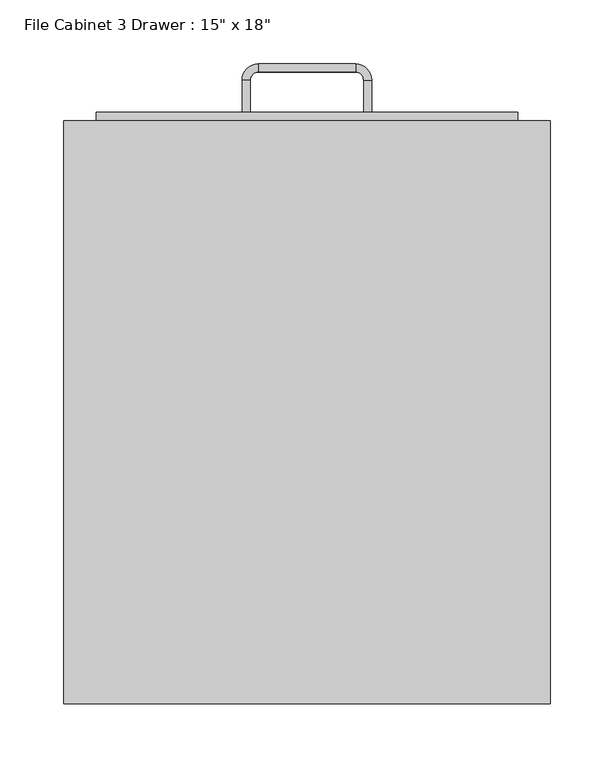
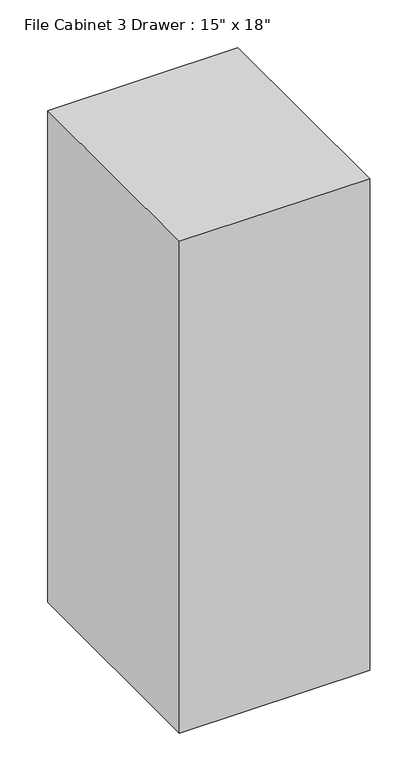
"""IFC4 building model written with IfcOpenShell, lengths in millimetres: furniture geometry."""

from ifc_helpers import new_model, si_unit, frame, origin, origin_with_axes, place, context, project, spatial, polyline, circle_curve, outline, extrude, source, transform, mapped, element, save
from ifc_brep_helpers import plane_surface, cylinder_surface, revolved_surface, advanced_brep


def furniture_48aa8ab9(model_context):
    return source(origin(), model_context, "Body", "SolidModel", [
        extrude(outline(polyline([(62.603553, -86.4656999), (-318.396447, -86.4656999), (-318.396447, 370.7343001), (62.603553, 370.7343001), (62.603553, -86.4656999)])), origin_with_axes(), (0.0, 0.0, 1.0), 1041.4),
        extrude(outline(polyline([(37.203553, 377.0843001), (37.203553, 370.7343001), (-292.996447, 370.7343001), (-292.996447, 377.0843001), (37.203553, 377.0843001)])), frame((0.0, 0.0, 736.6), z_axis=(0.0, 0.0, 1.0), x_axis=(1.0, 0.0, 0.0)), (0.0, 0.0, 1.0), 279.4),
        extrude(outline(polyline([(37.203553, 377.0843001), (37.203553, 370.7343001), (-292.996447, 370.7343001), (-292.996447, 377.0843001), (37.203553, 377.0843001)])), frame((0.0, 0.0, 431.8), z_axis=(0.0, 0.0, 1.0), x_axis=(1.0, 0.0, 0.0)), (0.0, 0.0, 1.0), 279.4),
        extrude(outline(polyline([(37.203553, 377.0843001), (37.203553, 370.7343001), (-292.996447, 370.7343001), (-292.996447, 377.0843001), (37.203553, 377.0843001)])), frame((0.0, 0.0, 127.0), z_axis=(0.0, 0.0, 1.0), x_axis=(1.0, 0.0, 0.0)), (0.0, 0.0, 1.0), 279.4),
        advanced_brep(
        [(-172.346447, 377.0843001, 203.2), (-172.346447, 377.0843001, 215.9), (-178.696447, 377.0843001, 215.9), (-178.696447, 377.0843001, 203.2), (-178.696447, 402.4843001, 203.2), (-172.346447, 402.4843001, 203.2), (-178.696447, 402.4843001, 215.9), (-172.346447, 402.4843001, 215.9), (-165.996447, 415.1843001, 203.2), (-165.996447, 408.8343001, 203.2), (-165.996447, 415.1843001, 215.9), (-165.996447, 408.8343001, 215.9), (-89.796447, 415.1843001, 203.2), (-89.796447, 408.8343001, 203.2), (-89.796447, 415.1843001, 215.9), (-89.796447, 408.8343001, 215.9), (-77.096447, 402.4843001, 203.2), (-83.446447, 402.4843001, 203.2), (-77.096447, 402.4843001, 215.9), (-83.446447, 402.4843001, 215.9), (-83.446447, 377.0843001, 203.2), (-77.096447, 377.0843001, 203.2), (-77.096447, 377.0843001, 215.9), (-83.446447, 377.0843001, 215.9)],
        [
            (0, 1),
            (1, 2),
            (2, 3),
            (3, 0),
            (3, 4),
            (4, 5),
            (5, 0),
            (2, 6),
            (6, 4),
            (1, 7),
            (7, 6),
            (5, 7),
            (8, 9),
            (9, 5, circle_curve(frame((-165.996447, 402.4843001, 203.2), z_axis=(0.0, 0.0, 1.0), x_axis=(-1.0, 0.0, 0.0)), 6.35)),
            (4, 8, circle_curve(frame((-165.996447, 402.4843001, 203.2), z_axis=(0.0, 0.0, -1.0), x_axis=(-1.0, 0.0, 0.0)), 12.7)),
            (10, 8),
            (6, 10, circle_curve(frame((-165.996447, 402.4843001, 215.9), z_axis=(0.0, 0.0, -1.0), x_axis=(-1.0, 0.0, 0.0)), 12.7)),
            (11, 10),
            (7, 11, circle_curve(frame((-165.996447, 402.4843001, 215.9), z_axis=(0.0, 0.0, -1.0), x_axis=(-1.0, 0.0, 0.0)), 6.35)),
            (9, 11),
            (8, 12),
            (12, 13),
            (13, 9),
            (10, 14),
            (14, 12),
            (11, 15),
            (15, 14),
            (13, 15),
            (16, 17),
            (17, 13, circle_curve(frame((-89.796447, 402.4843001, 203.2), z_axis=(0.0, 0.0, 1.0), x_axis=(0.0, 1.0, 0.0)), 6.35)),
            (12, 16, circle_curve(frame((-89.796447, 402.4843001, 203.2), z_axis=(0.0, 0.0, -1.0), x_axis=(0.0, 1.0, 0.0)), 12.7)),
            (18, 16),
            (14, 18, circle_curve(frame((-89.796447, 402.4843001, 215.9), z_axis=(0.0, 0.0, -1.0), x_axis=(0.0, 1.0, 0.0)), 12.7)),
            (19, 18),
            (15, 19, circle_curve(frame((-89.796447, 402.4843001, 215.9), z_axis=(0.0, 0.0, -1.0), x_axis=(0.0, 1.0, 0.0)), 6.35)),
            (17, 19),
            (20, 21),
            (21, 22),
            (22, 23),
            (23, 20),
            (16, 21),
            (20, 17),
            (18, 22),
            (19, 23),
        ],
        [
            plane_surface(frame((-978.8216451, 377.0843001, 0.0), z_axis=(0.0, -1.0, 0.0), x_axis=(0.0, 0.0, -1.0))),
            plane_surface(frame((-172.346447, 377.0843001, 203.2), z_axis=(0.0, 0.0, -1.0), x_axis=(0.0, 1.0, 0.0))),
            plane_surface(frame((-178.696447, 377.0843001, 203.2), z_axis=(-1.0, 0.0, 0.0), x_axis=(0.0, 1.0, 0.0))),
            plane_surface(frame((-178.696447, 377.0843001, 215.9), z_axis=(0.0, 0.0, 1.0), x_axis=(0.0, 1.0, 0.0))),
            plane_surface(frame((-172.346447, 377.0843001, 215.9), z_axis=(1.0, 0.0, 0.0), x_axis=(0.0, 1.0, 0.0))),
            plane_surface(frame((-165.996447, 402.4843001, 203.2), z_axis=(0.0, 0.0, -1.0), x_axis=(-1.0, 0.0, 0.0))),
            cylinder_surface(frame((-165.996447, 402.4843001, 0.0), z_axis=(0.0, 0.0, 1.0), x_axis=(-1.0, 0.0, 0.0)), 12.7),
            plane_surface(frame((-165.996447, 402.4843001, 215.9), z_axis=(0.0, 0.0, 1.0), x_axis=(-1.0, 0.0, 0.0))),
            revolved_surface(polyline([(-172.34644699999998, 402.4843001, 215.9), (-172.34644699999998, 402.4843001, 203.2)]), (-165.996447, 402.4843001, 0.0), (0.0, 0.0, 1.0)),
            plane_surface(frame((-165.996447, 408.8343001, 203.2), z_axis=(0.0, 0.0, -1.0), x_axis=(1.0, 0.0, 0.0))),
            plane_surface(frame((-165.996447, 415.1843001, 203.2), z_axis=(0.0, 1.0, 0.0), x_axis=(1.0, 0.0, 0.0))),
            plane_surface(frame((-165.996447, 415.1843001, 215.9), z_axis=(0.0, 0.0, 1.0), x_axis=(1.0, 0.0, 0.0))),
            plane_surface(frame((-165.996447, 408.8343001, 215.9), z_axis=(0.0, -1.0, 0.0), x_axis=(1.0, 0.0, 0.0))),
            plane_surface(frame((-89.796447, 402.4843001, 203.2), z_axis=(0.0, 0.0, -1.0), x_axis=(0.0, 1.0, 0.0))),
            cylinder_surface(frame((-89.796447, 402.4843001, 0.0), z_axis=(0.0, 0.0, 1.0), x_axis=(0.0, 1.0, 0.0)), 12.7),
            plane_surface(frame((-89.796447, 402.4843001, 215.9), z_axis=(0.0, 0.0, 1.0), x_axis=(0.0, 1.0, 0.0))),
            revolved_surface(polyline([(-89.796447, 408.8343001, 215.9), (-89.796447, 408.8343001, 203.2)]), (-89.796447, 402.4843001, 0.0), (0.0, 0.0, 1.0)),
            plane_surface(frame((-877.2216451, 377.0843001, 0.0), z_axis=(0.0, -1.0, 0.0), x_axis=(0.0, 0.0, 1.0))),
            plane_surface(frame((-83.446447, 402.4843001, 203.2), z_axis=(0.0, 0.0, -1.0), x_axis=(0.0, -1.0, 0.0))),
            plane_surface(frame((-77.096447, 402.4843001, 203.2), z_axis=(1.0, 0.0, 0.0), x_axis=(0.0, -1.0, 0.0))),
            plane_surface(frame((-77.096447, 402.4843001, 215.9), z_axis=(0.0, 0.0, 1.0), x_axis=(0.0, -1.0, 0.0))),
            plane_surface(frame((-83.446447, 402.4843001, 215.9), z_axis=(-1.0, 0.0, 0.0), x_axis=(0.0, -1.0, 0.0))),
        ],
        [
            (0, [[1, 2, 3, 4]]),
            (1, [[5, 6, 7, -4]]),
            (2, [[8, 9, -5, -3]]),
            (3, [[10, 11, -8, -2]]),
            (4, [[-7, 12, -10, -1]]),
            (5, [[13, 14, -6, 15]]),
            (6, [[16, -15, -9, 17]]),
            (7, [[18, -17, -11, 19]]),
            (8, [[20, -19, -12, -14]]),
            (9, [[21, 22, 23, -13]]),
            (10, [[24, 25, -21, -16]]),
            (11, [[26, 27, -24, -18]]),
            (12, [[-23, 28, -26, -20]]),
            (13, [[29, 30, -22, 31]]),
            (14, [[32, -31, -25, 33]]),
            (15, [[34, -33, -27, 35]]),
            (16, [[36, -35, -28, -30]]),
            (17, [[37, 38, 39, 40]]),
            (18, [[41, -37, 42, -29]]),
            (19, [[43, -38, -41, -32]]),
            (20, [[44, -39, -43, -34]]),
            (21, [[-42, -40, -44, -36]]),
        ],
    ),
        advanced_brep(
        [(-172.346447, 377.0843001, 482.6), (-172.346447, 377.0843001, 495.3), (-178.696447, 377.0843001, 495.3), (-178.696447, 377.0843001, 482.6), (-178.696447, 402.4843001, 482.6), (-172.346447, 402.4843001, 482.6), (-178.696447, 402.4843001, 495.3), (-172.346447, 402.4843001, 495.3), (-165.996447, 415.1843001, 482.6), (-165.996447, 408.8343001, 482.6), (-165.996447, 415.1843001, 495.3), (-165.996447, 408.8343001, 495.3), (-89.796447, 415.1843001, 482.6), (-89.796447, 408.8343001, 482.6), (-89.796447, 415.1843001, 495.3), (-89.796447, 408.8343001, 495.3), (-77.096447, 402.4843001, 482.6), (-83.446447, 402.4843001, 482.6), (-77.096447, 402.4843001, 495.3), (-83.446447, 402.4843001, 495.3), (-83.446447, 377.0843001, 482.6), (-77.096447, 377.0843001, 482.6), (-77.096447, 377.0843001, 495.3), (-83.446447, 377.0843001, 495.3)],
        [
            (0, 1),
            (1, 2),
            (2, 3),
            (3, 0),
            (3, 4),
            (4, 5),
            (5, 0),
            (2, 6),
            (6, 4),
            (1, 7),
            (7, 6),
            (5, 7),
            (8, 9),
            (9, 5, circle_curve(frame((-165.996447, 402.4843001, 482.6), z_axis=(0.0, 0.0, 1.0), x_axis=(-1.0, 0.0, 0.0)), 6.35)),
            (4, 8, circle_curve(frame((-165.996447, 402.4843001, 482.6), z_axis=(0.0, 0.0, -1.0), x_axis=(-1.0, 0.0, 0.0)), 12.7)),
            (10, 8),
            (6, 10, circle_curve(frame((-165.996447, 402.4843001, 495.3), z_axis=(0.0, 0.0, -1.0), x_axis=(-1.0, 0.0, 0.0)), 12.7)),
            (11, 10),
            (7, 11, circle_curve(frame((-165.996447, 402.4843001, 495.3), z_axis=(0.0, 0.0, -1.0), x_axis=(-1.0, 0.0, 0.0)), 6.35)),
            (9, 11),
            (8, 12),
            (12, 13),
            (13, 9),
            (10, 14),
            (14, 12),
            (11, 15),
            (15, 14),
            (13, 15),
            (16, 17),
            (17, 13, circle_curve(frame((-89.796447, 402.4843001, 482.6), z_axis=(0.0, 0.0, 1.0), x_axis=(0.0, 1.0, 0.0)), 6.35)),
            (12, 16, circle_curve(frame((-89.796447, 402.4843001, 482.6), z_axis=(0.0, 0.0, -1.0), x_axis=(0.0, 1.0, 0.0)), 12.7)),
            (18, 16),
            (14, 18, circle_curve(frame((-89.796447, 402.4843001, 495.3), z_axis=(0.0, 0.0, -1.0), x_axis=(0.0, 1.0, 0.0)), 12.7)),
            (19, 18),
            (15, 19, circle_curve(frame((-89.796447, 402.4843001, 495.3), z_axis=(0.0, 0.0, -1.0), x_axis=(0.0, 1.0, 0.0)), 6.35)),
            (17, 19),
            (20, 21),
            (21, 22),
            (22, 23),
            (23, 20),
            (16, 21),
            (20, 17),
            (18, 22),
            (19, 23),
        ],
        [
            plane_surface(frame((-978.8216451, 377.0843001, 0.0), z_axis=(0.0, -1.0, 0.0), x_axis=(0.0, 0.0, -1.0))),
            plane_surface(frame((-172.346447, 377.0843001, 482.6), z_axis=(0.0, 0.0, -1.0), x_axis=(0.0, 1.0, 0.0))),
            plane_surface(frame((-178.696447, 377.0843001, 482.6), z_axis=(-1.0, 0.0, 0.0), x_axis=(0.0, 1.0, 0.0))),
            plane_surface(frame((-178.696447, 377.0843001, 495.3), z_axis=(0.0, 0.0, 1.0), x_axis=(0.0, 1.0, 0.0))),
            plane_surface(frame((-172.346447, 377.0843001, 495.3), z_axis=(1.0, 0.0, 0.0), x_axis=(0.0, 1.0, 0.0))),
            plane_surface(frame((-165.996447, 402.4843001, 482.6), z_axis=(0.0, 0.0, -1.0), x_axis=(-1.0, 0.0, 0.0))),
            cylinder_surface(frame((-165.996447, 402.4843001, 0.0), z_axis=(0.0, 0.0, 1.0), x_axis=(-1.0, 0.0, 0.0)), 12.7),
            plane_surface(frame((-165.996447, 402.4843001, 495.3), z_axis=(0.0, 0.0, 1.0), x_axis=(-1.0, 0.0, 0.0))),
            revolved_surface(polyline([(-172.34644699999998, 402.4843001, 495.3), (-172.34644699999998, 402.4843001, 482.6)]), (-165.996447, 402.4843001, 0.0), (0.0, 0.0, 1.0)),
            plane_surface(frame((-165.996447, 408.8343001, 482.6), z_axis=(0.0, 0.0, -1.0), x_axis=(1.0, 0.0, 0.0))),
            plane_surface(frame((-165.996447, 415.1843001, 482.6), z_axis=(0.0, 1.0, 0.0), x_axis=(1.0, 0.0, 0.0))),
            plane_surface(frame((-165.996447, 415.1843001, 495.3), z_axis=(0.0, 0.0, 1.0), x_axis=(1.0, 0.0, 0.0))),
            plane_surface(frame((-165.996447, 408.8343001, 495.3), z_axis=(0.0, -1.0, 0.0), x_axis=(1.0, 0.0, 0.0))),
            plane_surface(frame((-89.796447, 402.4843001, 482.6), z_axis=(0.0, 0.0, -1.0), x_axis=(0.0, 1.0, 0.0))),
            cylinder_surface(frame((-89.796447, 402.4843001, 0.0), z_axis=(0.0, 0.0, 1.0), x_axis=(0.0, 1.0, 0.0)), 12.7),
            plane_surface(frame((-89.796447, 402.4843001, 495.3), z_axis=(0.0, 0.0, 1.0), x_axis=(0.0, 1.0, 0.0))),
            revolved_surface(polyline([(-89.796447, 408.8343001, 495.3), (-89.796447, 408.8343001, 482.6)]), (-89.796447, 402.4843001, 0.0), (0.0, 0.0, 1.0)),
            plane_surface(frame((-877.2216451, 377.0843001, 0.0), z_axis=(0.0, -1.0, 0.0), x_axis=(0.0, 0.0, 1.0))),
            plane_surface(frame((-83.446447, 402.4843001, 482.6), z_axis=(0.0, 0.0, -1.0), x_axis=(0.0, -1.0, 0.0))),
            plane_surface(frame((-77.096447, 402.4843001, 482.6), z_axis=(1.0, 0.0, 0.0), x_axis=(0.0, -1.0, 0.0))),
            plane_surface(frame((-77.096447, 402.4843001, 495.3), z_axis=(0.0, 0.0, 1.0), x_axis=(0.0, -1.0, 0.0))),
            plane_surface(frame((-83.446447, 402.4843001, 495.3), z_axis=(-1.0, 0.0, 0.0), x_axis=(0.0, -1.0, 0.0))),
        ],
        [
            (0, [[1, 2, 3, 4]]),
            (1, [[5, 6, 7, -4]]),
            (2, [[8, 9, -5, -3]]),
            (3, [[10, 11, -8, -2]]),
            (4, [[-7, 12, -10, -1]]),
            (5, [[13, 14, -6, 15]]),
            (6, [[16, -15, -9, 17]]),
            (7, [[18, -17, -11, 19]]),
            (8, [[20, -19, -12, -14]]),
            (9, [[21, 22, 23, -13]]),
            (10, [[24, 25, -21, -16]]),
            (11, [[26, 27, -24, -18]]),
            (12, [[-23, 28, -26, -20]]),
            (13, [[29, 30, -22, 31]]),
            (14, [[32, -31, -25, 33]]),
            (15, [[34, -33, -27, 35]]),
            (16, [[36, -35, -28, -30]]),
            (17, [[37, 38, 39, 40]]),
            (18, [[41, -37, 42, -29]]),
            (19, [[43, -38, -41, -32]]),
            (20, [[44, -39, -43, -34]]),
            (21, [[-42, -40, -44, -36]]),
        ],
    ),
        advanced_brep(
        [(-172.346447, 377.0843001, 787.4), (-172.346447, 377.0843001, 800.1), (-178.696447, 377.0843001, 800.1), (-178.696447, 377.0843001, 787.4), (-178.696447, 402.4843001, 787.4), (-172.346447, 402.4843001, 787.4), (-178.696447, 402.4843001, 800.1), (-172.346447, 402.4843001, 800.1), (-165.996447, 415.1843001, 787.4), (-165.996447, 408.8343001, 787.4), (-165.996447, 415.1843001, 800.1), (-165.996447, 408.8343001, 800.1), (-89.796447, 415.1843001, 787.4), (-89.796447, 408.8343001, 787.4), (-89.796447, 415.1843001, 800.1), (-89.796447, 408.8343001, 800.1), (-77.096447, 402.4843001, 787.4), (-83.446447, 402.4843001, 787.4), (-77.096447, 402.4843001, 800.1), (-83.446447, 402.4843001, 800.1), (-83.446447, 377.0843001, 787.4), (-77.096447, 377.0843001, 787.4), (-77.096447, 377.0843001, 800.1), (-83.446447, 377.0843001, 800.1)],
        [
            (0, 1),
            (1, 2),
            (2, 3),
            (3, 0),
            (3, 4),
            (4, 5),
            (5, 0),
            (2, 6),
            (6, 4),
            (1, 7),
            (7, 6),
            (5, 7),
            (8, 9),
            (9, 5, circle_curve(frame((-165.996447, 402.4843001, 787.4), z_axis=(0.0, 0.0, 1.0), x_axis=(-1.0, 0.0, 0.0)), 6.35)),
            (4, 8, circle_curve(frame((-165.996447, 402.4843001, 787.4), z_axis=(0.0, 0.0, -1.0), x_axis=(-1.0, 0.0, 0.0)), 12.7)),
            (10, 8),
            (6, 10, circle_curve(frame((-165.996447, 402.4843001, 800.1), z_axis=(0.0, 0.0, -1.0), x_axis=(-1.0, 0.0, 0.0)), 12.7)),
            (11, 10),
            (7, 11, circle_curve(frame((-165.996447, 402.4843001, 800.1), z_axis=(0.0, 0.0, -1.0), x_axis=(-1.0, 0.0, 0.0)), 6.35)),
            (9, 11),
            (8, 12),
            (12, 13),
            (13, 9),
            (10, 14),
            (14, 12),
            (11, 15),
            (15, 14),
            (13, 15),
            (16, 17),
            (17, 13, circle_curve(frame((-89.796447, 402.4843001, 787.4), z_axis=(0.0, 0.0, 1.0), x_axis=(0.0, 1.0, 0.0)), 6.35)),
            (12, 16, circle_curve(frame((-89.796447, 402.4843001, 787.4), z_axis=(0.0, 0.0, -1.0), x_axis=(0.0, 1.0, 0.0)), 12.7)),
            (18, 16),
            (14, 18, circle_curve(frame((-89.796447, 402.4843001, 800.1), z_axis=(0.0, 0.0, -1.0), x_axis=(0.0, 1.0, 0.0)), 12.7)),
            (19, 18),
            (15, 19, circle_curve(frame((-89.796447, 402.4843001, 800.1), z_axis=(0.0, 0.0, -1.0), x_axis=(0.0, 1.0, 0.0)), 6.35)),
            (17, 19),
            (20, 21),
            (21, 22),
            (22, 23),
            (23, 20),
            (16, 21),
            (20, 17),
            (18, 22),
            (19, 23),
        ],
        [
            plane_surface(frame((-978.8216451, 377.0843001, 0.0), z_axis=(0.0, -1.0, 0.0), x_axis=(0.0, 0.0, -1.0))),
            plane_surface(frame((-172.346447, 377.0843001, 787.4), z_axis=(0.0, 0.0, -1.0), x_axis=(0.0, 1.0, 0.0))),
            plane_surface(frame((-178.696447, 377.0843001, 787.4), z_axis=(-1.0, 0.0, 0.0), x_axis=(0.0, 1.0, 0.0))),
            plane_surface(frame((-178.696447, 377.0843001, 800.1), z_axis=(0.0, 0.0, 1.0), x_axis=(0.0, 1.0, 0.0))),
            plane_surface(frame((-172.346447, 377.0843001, 800.1), z_axis=(1.0, 0.0, 0.0), x_axis=(0.0, 1.0, 0.0))),
            plane_surface(frame((-165.996447, 402.4843001, 787.4), z_axis=(0.0, 0.0, -1.0), x_axis=(-1.0, 0.0, 0.0))),
            cylinder_surface(frame((-165.996447, 402.4843001, 0.0), z_axis=(0.0, 0.0, 1.0), x_axis=(-1.0, 0.0, 0.0)), 12.7),
            plane_surface(frame((-165.996447, 402.4843001, 800.1), z_axis=(0.0, 0.0, 1.0), x_axis=(-1.0, 0.0, 0.0))),
            revolved_surface(polyline([(-172.34644699999998, 402.4843001, 800.1), (-172.34644699999998, 402.4843001, 787.4)]), (-165.996447, 402.4843001, 0.0), (0.0, 0.0, 1.0)),
            plane_surface(frame((-165.996447, 408.8343001, 787.4), z_axis=(0.0, 0.0, -1.0), x_axis=(1.0, 0.0, 0.0))),
            plane_surface(frame((-165.996447, 415.1843001, 787.4), z_axis=(0.0, 1.0, 0.0), x_axis=(1.0, 0.0, 0.0))),
            plane_surface(frame((-165.996447, 415.1843001, 800.1), z_axis=(0.0, 0.0, 1.0), x_axis=(1.0, 0.0, 0.0))),
            plane_surface(frame((-165.996447, 408.8343001, 800.1), z_axis=(0.0, -1.0, 0.0), x_axis=(1.0, 0.0, 0.0))),
            plane_surface(frame((-89.796447, 402.4843001, 787.4), z_axis=(0.0, 0.0, -1.0), x_axis=(0.0, 1.0, 0.0))),
            cylinder_surface(frame((-89.796447, 402.4843001, 0.0), z_axis=(0.0, 0.0, 1.0), x_axis=(0.0, 1.0, 0.0)), 12.7),
            plane_surface(frame((-89.796447, 402.4843001, 800.1), z_axis=(0.0, 0.0, 1.0), x_axis=(0.0, 1.0, 0.0))),
            revolved_surface(polyline([(-89.796447, 408.8343001, 800.1), (-89.796447, 408.8343001, 787.4)]), (-89.796447, 402.4843001, 0.0), (0.0, 0.0, 1.0)),
            plane_surface(frame((-877.2216451, 377.0843001, 0.0), z_axis=(0.0, -1.0, 0.0), x_axis=(0.0, 0.0, 1.0))),
            plane_surface(frame((-83.446447, 402.4843001, 787.4), z_axis=(0.0, 0.0, -1.0), x_axis=(0.0, -1.0, 0.0))),
            plane_surface(frame((-77.096447, 402.4843001, 787.4), z_axis=(1.0, 0.0, 0.0), x_axis=(0.0, -1.0, 0.0))),
            plane_surface(frame((-77.096447, 402.4843001, 800.1), z_axis=(0.0, 0.0, 1.0), x_axis=(0.0, -1.0, 0.0))),
            plane_surface(frame((-83.446447, 402.4843001, 800.1), z_axis=(-1.0, 0.0, 0.0), x_axis=(0.0, -1.0, 0.0))),
        ],
        [
            (0, [[1, 2, 3, 4]]),
            (1, [[5, 6, 7, -4]]),
            (2, [[8, 9, -5, -3]]),
            (3, [[10, 11, -8, -2]]),
            (4, [[-7, 12, -10, -1]]),
            (5, [[13, 14, -6, 15]]),
            (6, [[16, -15, -9, 17]]),
            (7, [[18, -17, -11, 19]]),
            (8, [[20, -19, -12, -14]]),
            (9, [[21, 22, 23, -13]]),
            (10, [[24, 25, -21, -16]]),
            (11, [[26, 27, -24, -18]]),
            (12, [[-23, 28, -26, -20]]),
            (13, [[29, 30, -22, 31]]),
            (14, [[32, -31, -25, 33]]),
            (15, [[34, -33, -27, 35]]),
            (16, [[36, -35, -28, -30]]),
            (17, [[37, 38, 39, 40]]),
            (18, [[41, -37, 42, -29]]),
            (19, [[43, -38, -41, -32]]),
            (20, [[44, -39, -43, -34]]),
            (21, [[-42, -40, -44, -36]]),
        ],
    ),
    ])


if __name__ == "__main__":
    model = new_model("IFC4")
    model_context = context("Model", 3, world=origin())
    ifc_project = project(units=[si_unit("LENGTHUNIT", "METRE", prefix="MILLI")], contexts=[model_context])
    site = spatial("IfcSite", under=ifc_project)
    building = spatial("IfcBuilding", under=site)
    placement = place(None, origin())
    furniture_shape = furniture_48aa8ab9(model_context)
    element("IfcFurniture", 1, ObjectType="File Cabinet 3 Drawer : 15\" x 18\"", at=placement, inside=building, context=model_context, shape_type="MappedRepresentation", body=[
        mapped(furniture_shape, transform((0.0, 0.0, 0.0), x_axis=(1.0, 0.0, 0.0), y_axis=(0.0, 1.0, 0.0), z_axis=(0.0, 0.0, 1.0))),
    ])
    save(model, "model.ifc")
